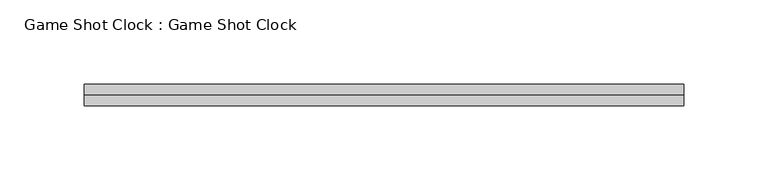
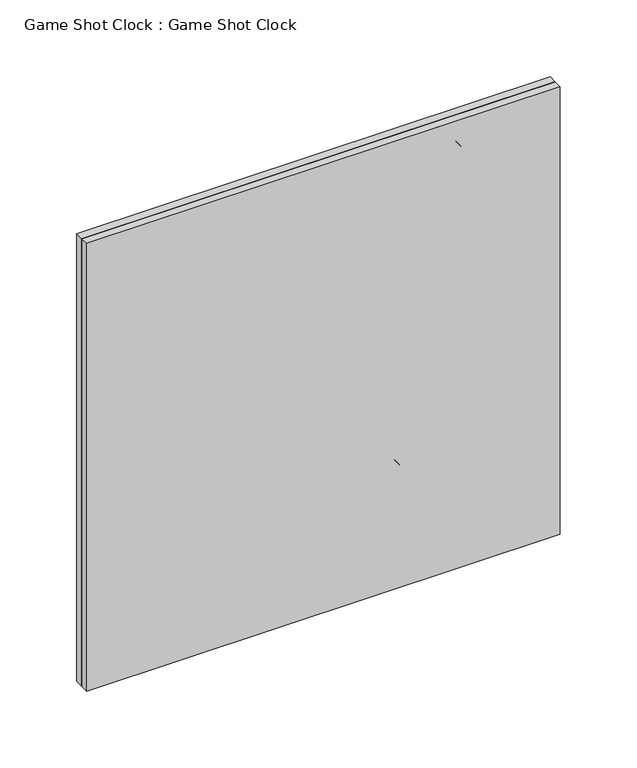
"""IFC4 building model written with IfcOpenShell, lengths in millimetres: proxy geometry, Game Shot Clock : Game Shot Clock."""

from ifc_helpers import new_model, si_unit, frame, origin, place, context, project, spatial, polyline, outline, extrude, source, transform, mapped, element, save


def game_shot_clock_game_shot_clock_7f3b98dc(model_context):
    return source(origin(), model_context, "Body", "SweptSolid", [
        extrude(outline(polyline([(3225.8, -177.8), (2870.2, -177.8), (2870.2, 178.0553863), (3225.8, 178.0553863), (3225.8, -177.8)]), holes=[polyline([(3102.8533186, -169.5913905), (3102.8533186, 168.3124212), (2880.6033186, 168.3124212), (2880.6033186, -169.5913905), (3102.8533186, -169.5913905)]), polyline([(3116.1634753, 166.9586095), (3116.1634753, -169.5913905), (3217.7634753, -169.5913905), (3217.7634753, 166.9586095), (3116.1634753, 166.9586095)])]), frame((0.0, 125.4125, 0.0), z_axis=(0.0, 1.0, 0.0), x_axis=(0.0, 0.0, 1.0)), (0.0, 0.0, 1.0), 6.35),
        extrude(outline(polyline([(3128.9641856, 91.6681687), (3128.9641856, 106.1824544), (3183.4305546, 106.1824544), (3171.2975189, 124.3253115), (3185.8118046, 124.3253115), (3192.9272064, 112.2111746), (3205.1641856, 103.2342401), (3205.1641856, 91.6681687), (3128.9641856, 91.6681687)])), frame((0.0, 125.4125, 0.0), z_axis=(0.0, 1.0, 0.0), x_axis=(0.0, 0.0, 1.0)), (0.0, 0.0, 1.0), 3.175),
        extrude(outline(polyline([(3205.1641856, 45.7062639), (3203.1987094, 36.0631464), (3197.3022808, 28.7918294), (3184.9377347, 23.3347981), (3166.4405249, 21.5157877), (3147.943315, 23.3442476), (3135.5031737, 28.829627), (3129.6917897, 36.0725958), (3127.7546618, 45.7062639), (3129.8807778, 55.5218331), (3136.2591261, 63.2349098), (3148.0945055, 68.2312825), (3166.5917153, 69.8967401), (3185.0038805, 68.0682803), (3197.4156737, 62.5829008), (3203.2270576, 55.3399321), (3205.1641856, 45.7062639)]), holes=[polyline([(3191.8594237, 45.7062639), (3190.2624743, 50.5443592), (3184.5266856, 53.832752), (3166.4405249, 55.3824544), (3148.9685755, 54.0028413), (3142.6374743, 50.5160109), (3141.0594237, 45.7062639), (3142.6563731, 40.8681687), (3148.3921618, 37.5797758), (3166.4405249, 36.0300734), (3183.9030249, 37.4096865), (3190.2624743, 40.8965169), (3191.8594237, 45.7062639)])]), frame((0.0, 125.4125, 0.0), z_axis=(0.0, 1.0, 0.0), x_axis=(0.0, 0.0, 1.0)), (0.0, 0.0, 1.0), 3.175),
        extrude(outline(polyline([(-8.7223075, 128.5875), (5.7919782, 128.5875), (5.7919782, 125.4125), (-8.7223075, 125.4125), (-8.7223075, 128.5875)])), frame((0.0, 0.0, 3128.9641856), z_axis=(0.0, 0.0, 1.0), x_axis=(1.0, 0.0, 0.0)), (0.0, 0.0, 1.0), 14.5142857),
        extrude(outline(polyline([(-8.7223075, 128.5875), (5.7919782, 128.5875), (5.7919782, 125.4125), (-8.7223075, 125.4125), (-8.7223075, 128.5875)])), frame((0.0, 0.0, 3170.0879951), z_axis=(0.0, 0.0, 1.0), x_axis=(1.0, 0.0, 0.0)), (0.0, 0.0, 1.0), 14.5142857),
        extrude(outline(polyline([(3205.1641856, -48.6365932), (3203.1987094, -58.2797108), (3197.3022808, -65.5510277), (3184.9377347, -71.008059), (3166.4405249, -72.8270694), (3147.943315, -70.9986096), (3135.5031737, -65.5132301), (3129.6917897, -58.2702614), (3127.7546618, -48.6365932), (3129.8807778, -38.821024), (3136.2591261, -31.1079474), (3148.0945055, -26.1115746), (3166.5917153, -24.446117), (3185.0038805, -26.2745769), (3197.4156737, -31.7599563), (3203.2270576, -39.0029251), (3205.1641856, -48.6365932)]), holes=[polyline([(3191.8594237, -48.6365932), (3190.2624743, -43.798498), (3184.5266856, -40.5101051), (3166.4405249, -38.9604027), (3148.9685755, -40.3400158), (3142.6374743, -43.8268462), (3141.0594237, -48.6365932), (3142.6563731, -53.4746885), (3148.3921618, -56.7630813), (3166.4405249, -58.3127837), (3183.9030249, -56.9331706), (3190.2624743, -53.4463402), (3191.8594237, -48.6365932)])]), frame((0.0, 125.4125, 0.0), z_axis=(0.0, 1.0, 0.0), x_axis=(0.0, 0.0, 1.0)), (0.0, 0.0, 1.0), 3.175),
        extrude(outline(polyline([(3205.1641856, -106.6937361), (3203.1987094, -116.3368536), (3197.3022808, -123.6081706), (3184.9377347, -129.0652019), (3166.4405249, -130.8842123), (3147.943315, -129.0557524), (3135.5031737, -123.570373), (3129.6917897, -116.3274042), (3127.7546618, -106.6937361), (3129.8807778, -96.8781669), (3136.2591261, -89.1650902), (3148.0945055, -84.1687175), (3166.5917153, -82.5032599), (3185.0038805, -84.3317197), (3197.4156737, -89.8170992), (3203.2270576, -97.0600679), (3205.1641856, -106.6937361)]), holes=[polyline([(3191.8594237, -106.6937361), (3190.2624743, -101.8556408), (3184.5266856, -98.567248), (3166.4405249, -97.0175456), (3148.9685755, -98.3971587), (3142.6374743, -101.8839891), (3141.0594237, -106.6937361), (3142.6563731, -111.5318313), (3148.3921618, -114.8202242), (3166.4405249, -116.3699266), (3183.9030249, -114.9903135), (3190.2624743, -111.5034831), (3191.8594237, -106.6937361)])]), frame((0.0, 125.4125, 0.0), z_axis=(0.0, 1.0, 0.0), x_axis=(0.0, 0.0, 1.0)), (0.0, 0.0, 1.0), 3.175),
        extrude(outline(polyline([(2958.2667859, 9.6567623), (2929.2382145, 9.6567623), (2929.2382145, 106.418667), (2943.8800672, 103.3287117), (2957.7187204, 97.1582504), (2993.4185716, 66.731167), (3017.7602383, 44.2793813), (3035.2227383, 38.6853337), (3049.9071133, 43.3911373), (3055.0286907, 56.3746194), (3049.9827085, 69.3770004), (3033.2572621, 74.971048), (3035.9030954, 103.9996194), (3056.9043975, 98.8591432), (3070.9981847, 88.4270004), (3078.978207, 73.7142772), (3081.6382145, 55.7320599), (3078.6569273, 36.5308694), (3069.7130657, 21.9409885), (3056.3374332, 12.7278188), (3040.0608335, 9.6567623), (3020.859643, 13.0207504), (3001.7718454, 23.6796789), (2982.7218454, 41.728042), (2966.2042859, 58.302298), (2958.2667859, 63.7451551), (2958.2667859, 9.6567623)])), frame((0.0, 125.4125, 0.0), z_axis=(0.0, 1.0, 0.0), x_axis=(0.0, 0.0, 1.0)), (0.0, 0.0, 1.0), 3.175),
        extrude(outline(polyline([(2929.2382145, -62.9146663), (2960.6858335, -62.9146663), (2960.6858335, -4.8575234), (2984.7629169, -4.8575234), (3079.2191669, -66.7700234), (3079.2191669, -91.9432377), (2984.8763097, -91.9432377), (2984.8763097, -111.2956187), (2960.6858335, -111.2956187), (2960.6858335, -91.9432377), (2929.2382145, -91.9432377), (2929.2382145, -62.9146663)]), holes=[polyline([(2984.8763097, -62.9146663), (3034.3911907, -62.9146663), (2984.8763097, -30.4843092), (2984.8763097, -62.9146663)])]), frame((0.0, 125.4125, 0.0), z_axis=(0.0, 1.0, 0.0), x_axis=(0.0, 0.0, 1.0)), (0.0, 0.0, 1.0), 3.175),
        extrude(outline(polyline([(178.0553863, 119.0625), (-177.8, 119.0625), (-177.8, 125.4125), (178.0553863, 125.4125), (178.0553863, 119.0625)])), frame((0.0, 0.0, 2870.2), z_axis=(0.0, 0.0, 1.0), x_axis=(1.0, 0.0, 0.0)), (0.0, 0.0, 1.0), 355.6),
    ])


if __name__ == "__main__":
    model = new_model("IFC4")
    model_context = context("Model", 3, world=origin())
    ifc_project = project(units=[si_unit("LENGTHUNIT", "METRE", prefix="MILLI")], contexts=[model_context])
    site = spatial("IfcSite", under=ifc_project)
    building = spatial("IfcBuilding", under=site)
    placement = place(None, origin())
    game_shot_clock_game_shot_clock_shape = game_shot_clock_game_shot_clock_7f3b98dc(model_context)
    element("IfcBuildingElementProxy", 1, Name="Game Shot Clock : Game Shot Clock", ObjectType="Game Shot Clock : Game Shot Clock", at=placement, inside=building, context=model_context, shape_type="MappedRepresentation", body=[
        mapped(game_shot_clock_game_shot_clock_shape, transform((0.0, 0.0, 0.0), x_axis=(1.0, 0.0, 0.0), y_axis=(0.0, 1.0, 0.0), z_axis=(0.0, 0.0, 1.0))),
    ])
    save(model, "model.ifc")
